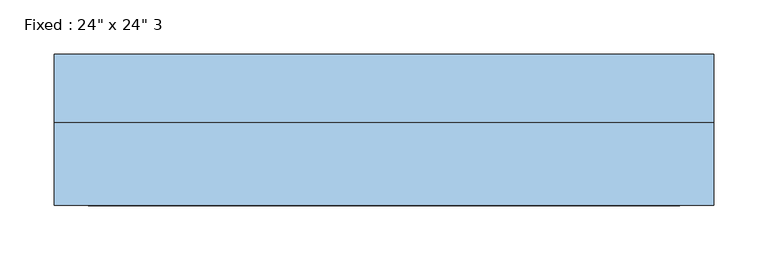
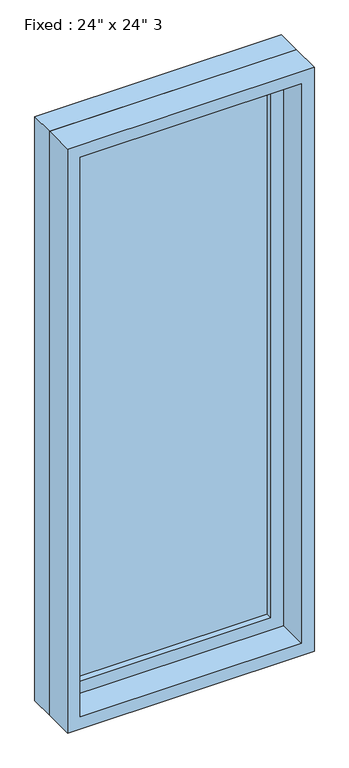
"""IFC4 building model written with IfcOpenShell, lengths in millimetres: window geometry."""

from ifc_helpers import new_model, si_unit, frame, origin, place, context, project, spatial, polyline, outline, extrude, source, transform, mapped, element, save


def window_59eed304(model_context):
    return source(origin(), model_context, "Body", "SweptSolid", [
        extrude(outline(polyline([(203.2, 22.225), (-279.4, 22.225), (-279.4, 34.925), (203.2, 34.925), (203.2, 22.225)])), frame((0.0, 0.0, 977.9), z_axis=(0.0, 0.0, 1.0), x_axis=(1.0, 0.0, 0.0)), (0.0, 0.0, 1.0), 1397.0),
        extrude(outline(polyline([(2419.35, -323.85), (933.45, -323.85), (933.45, 247.65), (2419.35, 247.65), (2419.35, -323.85)]), holes=[polyline([(2374.9, -279.4), (2374.9, 203.2), (977.9, 203.2), (977.9, -279.4), (2374.9, -279.4)])]), frame((0.0, 6.35, 0.0), z_axis=(0.0, 1.0, 0.0), x_axis=(0.0, 0.0, 1.0)), (0.0, 0.0, 1.0), 44.45),
        extrude(outline(polyline([(2438.4, -342.9), (914.4, -342.9), (914.4, 266.7), (2438.4, 266.7), (2438.4, -342.9)]), holes=[polyline([(2406.65, -311.15), (2406.65, 234.95), (946.15, 234.95), (946.15, -311.15), (2406.65, -311.15)])]), frame((0.0, -69.85, 0.0), z_axis=(0.0, 1.0, 0.0), x_axis=(0.0, 0.0, 1.0)), (0.0, 0.0, 1.0), 76.2),
        extrude(outline(polyline([(2438.4, 266.7), (2438.4, -342.9), (914.4, -342.9), (914.4, 266.7), (2438.4, 266.7)]), holes=[polyline([(2419.35, 247.65), (933.45, 247.65), (933.45, -323.85), (2419.35, -323.85), (2419.35, 247.65)])]), frame((0.0, 6.35, 0.0), z_axis=(0.0, 1.0, 0.0), x_axis=(0.0, 0.0, 1.0)), (0.0, 0.0, 1.0), 63.5),
    ])


if __name__ == "__main__":
    model = new_model("IFC4")
    model_context = context("Model", 3, world=origin())
    ifc_project = project(units=[si_unit("LENGTHUNIT", "METRE", prefix="MILLI")], contexts=[model_context])
    site = spatial("IfcSite", under=ifc_project)
    building = spatial("IfcBuilding", under=site)
    placement = place(None, origin())
    window_shape = window_59eed304(model_context)
    element("IfcWindow", 1, ObjectType="Fixed : 24\" x 24\" 3", at=placement, inside=building, context=model_context, shape_type="MappedRepresentation", body=[
        mapped(window_shape, transform((0.0, 0.0, 0.0), x_axis=(1.0, 0.0, 0.0), y_axis=(0.0, 1.0, 0.0), z_axis=(0.0, 0.0, 1.0))),
    ])
    save(model, "model.ifc")
